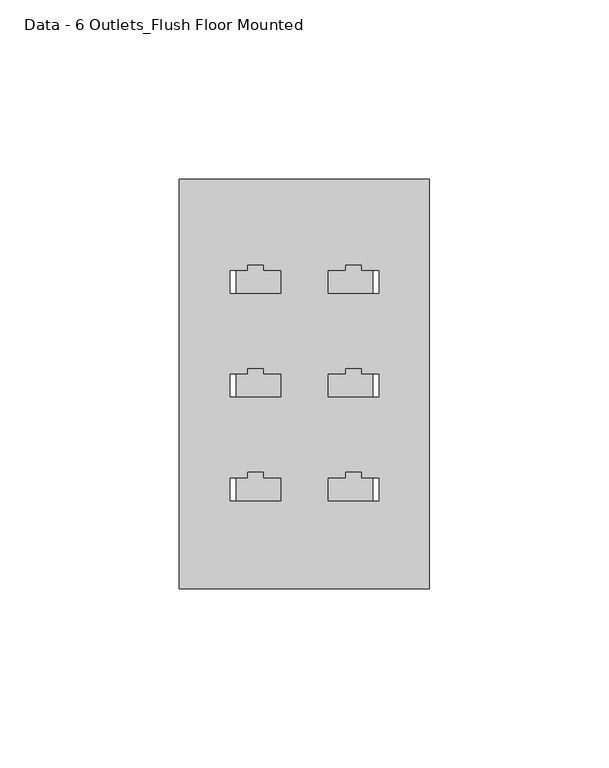
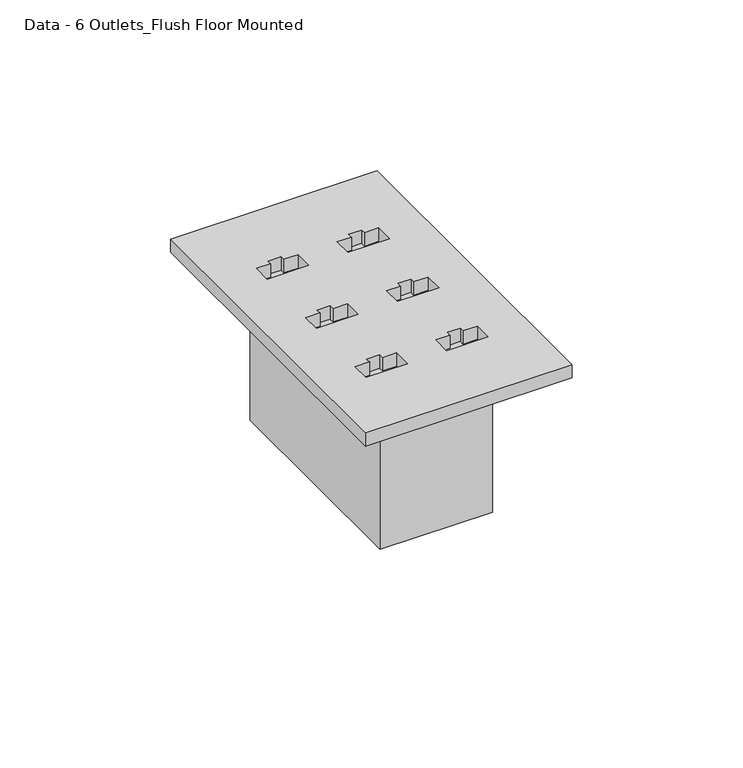
"""IFC4 building model written with IfcOpenShell, lengths in millimetres: electric appliance geometry, Data - 6 Outlets_Flush Floor Mounted."""

from ifc_helpers import new_model, si_unit, frame, origin, origin_with_axes, place, context, project, spatial, polyline, outline, extrude, source, transform, mapped, element, save


def data_6_outlets_flush_floor_mounted_41f436ed(model_context):
    return source(origin(), model_context, "Body", "SweptSolid", [
        extrude(outline(polyline([(34.925, 57.15), (34.925, -57.15), (-34.925, -57.15), (-34.925, 57.15), (34.925, 57.15)]), holes=[polyline([(-20.6336946, 25.2900552), (-6.5887405, 25.2900552), (-6.5887405, 31.5943927), (-11.4485466, 31.5943927), (-11.4485466, 33.1818927), (-15.8337141, 33.1818927), (-15.8337141, 31.5943927), (-20.6336946, 31.5943927), (-20.6336946, 25.2900552)]), polyline([(6.6939838, 25.2900552), (20.738938, 25.2900552), (20.738938, 31.5943927), (15.8791319, 31.5943927), (15.8791319, 33.1818927), (11.4939644, 33.1818927), (11.4939644, 31.5943927), (6.6939838, 31.5943927), (6.6939838, 25.2900552)]), polyline([(-20.6336946, -3.6317489), (-6.5887405, -3.6317489), (-6.5887405, 2.6725887), (-11.4485466, 2.6725887), (-11.4485466, 4.2600887), (-15.8337141, 4.2600887), (-15.8337141, 2.6725887), (-20.6336946, 2.6725887), (-20.6336946, -3.6317489)]), polyline([(6.6939838, -3.6317489), (20.738938, -3.6317489), (20.738938, 2.6725887), (15.8791319, 2.6725887), (15.8791319, 4.2600887), (11.4939644, 4.2600887), (11.4939644, 2.6725887), (6.6939838, 2.6725887), (6.6939838, -3.6317489)]), polyline([(-20.6336946, -32.5535529), (-6.5887405, -32.5535529), (-6.5887405, -26.2492154), (-11.4485466, -26.2492154), (-11.4485466, -24.6617154), (-15.8337141, -24.6617154), (-15.8337141, -26.2492154), (-20.6336946, -26.2492154), (-20.6336946, -32.5535529)]), polyline([(6.6939838, -32.5535529), (20.738938, -32.5535529), (20.738938, -26.2492154), (15.8791319, -26.2492154), (15.8791319, -24.6617154), (11.4939644, -24.6617154), (11.4939644, -26.2492154), (6.6939838, -26.2492154), (6.6939838, -32.5535529)])]), origin_with_axes(), (0.0, 0.0, 1.0), 4.7625),
        extrude(outline(polyline([(19.05, 38.1), (19.05, -38.1), (-19.05, -38.1), (-19.05, 38.1), (19.05, 38.1)])), frame((0.0, 0.0, -53.975), z_axis=(0.0, 0.0, 1.0), x_axis=(1.0, 0.0, 0.0)), (0.0, 0.0, 1.0), 53.975),
        extrude(outline(polyline([(-21.6013392, 36.859304), (-5.7263392, 36.859304), (-5.7263392, 20.984304), (-21.6013392, 20.984304), (-21.6013392, 36.859304)]), holes=[polyline([(-11.4485466, 33.1818927), (-15.8337141, 33.1818927), (-15.8337141, 31.5943927), (-20.6336946, 31.5943927), (-20.6336946, 25.2900552), (-6.5887405, 25.2900552), (-6.5887405, 31.5943927), (-11.4485466, 31.5943927), (-11.4485466, 33.1818927)])]), frame((0.0, 0.0, 0.1002738), z_axis=(0.0, 0.0, 1.0), x_axis=(1.0, 0.0, 0.0)), (0.0, 0.0, 1.0), 4.6622262),
        extrude(outline(polyline([(5.7263392, 36.859304), (21.6013392, 36.859304), (21.6013392, 20.984304), (5.7263392, 20.984304), (5.7263392, 36.859304)]), holes=[polyline([(15.8791319, 33.1818927), (11.4939644, 33.1818927), (11.4939644, 31.5943927), (6.6939838, 31.5943927), (6.6939838, 25.2900552), (20.738938, 25.2900552), (20.738938, 31.5943927), (15.8791319, 31.5943927), (15.8791319, 33.1818927)])]), frame((0.0, 0.0, 0.1002738), z_axis=(0.0, 0.0, 1.0), x_axis=(1.0, 0.0, 0.0)), (0.0, 0.0, 1.0), 4.6622262),
        extrude(outline(polyline([(-21.6013392, 7.9375), (-5.7263392, 7.9375), (-5.7263392, -7.9375), (-21.6013392, -7.9375), (-21.6013392, 7.9375)]), holes=[polyline([(-11.4485466, 4.2600887), (-15.8337141, 4.2600887), (-15.8337141, 2.6725887), (-20.6336946, 2.6725887), (-20.6336946, -3.6317489), (-6.5887405, -3.6317489), (-6.5887405, 2.6725887), (-11.4485466, 2.6725887), (-11.4485466, 4.2600887)])]), frame((0.0, 0.0, 0.1002738), z_axis=(0.0, 0.0, 1.0), x_axis=(1.0, 0.0, 0.0)), (0.0, 0.0, 1.0), 4.6622262),
        extrude(outline(polyline([(5.7263392, 7.9375), (21.6013392, 7.9375), (21.6013392, -7.9375), (5.7263392, -7.9375), (5.7263392, 7.9375)]), holes=[polyline([(15.8791319, 4.2600887), (11.4939644, 4.2600887), (11.4939644, 2.6725887), (6.6939838, 2.6725887), (6.6939838, -3.6317489), (20.738938, -3.6317489), (20.738938, 2.6725887), (15.8791319, 2.6725887), (15.8791319, 4.2600887)])]), frame((0.0, 0.0, 0.1002738), z_axis=(0.0, 0.0, 1.0), x_axis=(1.0, 0.0, 0.0)), (0.0, 0.0, 1.0), 4.6622262),
        extrude(outline(polyline([(-21.6013392, -20.984304), (-5.7263392, -20.984304), (-5.7263392, -36.859304), (-21.6013392, -36.859304), (-21.6013392, -20.984304)]), holes=[polyline([(-11.4485466, -24.6617154), (-15.8337141, -24.6617154), (-15.8337141, -26.2492154), (-20.6336946, -26.2492154), (-20.6336946, -32.5535529), (-6.5887405, -32.5535529), (-6.5887405, -26.2492154), (-11.4485466, -26.2492154), (-11.4485466, -24.6617154)])]), frame((0.0, 0.0, 0.1002738), z_axis=(0.0, 0.0, 1.0), x_axis=(1.0, 0.0, 0.0)), (0.0, 0.0, 1.0), 4.6622262),
        extrude(outline(polyline([(5.7263392, -20.984304), (21.6013392, -20.984304), (21.6013392, -36.859304), (5.7263392, -36.859304), (5.7263392, -20.984304)]), holes=[polyline([(15.8791319, -24.6617154), (11.4939644, -24.6617154), (11.4939644, -26.2492154), (6.6939838, -26.2492154), (6.6939838, -32.5535529), (20.738938, -32.5535529), (20.738938, -26.2492154), (15.8791319, -26.2492154), (15.8791319, -24.6617154)])]), frame((0.0, 0.0, 0.1002738), z_axis=(0.0, 0.0, 1.0), x_axis=(1.0, 0.0, 0.0)), (0.0, 0.0, 1.0), 4.6622262),
    ])


if __name__ == "__main__":
    model = new_model("IFC4")
    model_context = context("Model", 3, world=origin())
    ifc_project = project(units=[si_unit("LENGTHUNIT", "METRE", prefix="MILLI")], contexts=[model_context])
    site = spatial("IfcSite", under=ifc_project)
    building = spatial("IfcBuilding", under=site)
    placement = place(None, origin())
    data_6_outlets_flush_floor_mounted_shape = data_6_outlets_flush_floor_mounted_41f436ed(model_context)
    element("IfcElectricAppliance", 1, ObjectType="Data - 6 Outlets_Flush Floor Mounted", at=placement, inside=building, context=model_context, shape_type="MappedRepresentation", body=[
        mapped(data_6_outlets_flush_floor_mounted_shape, transform((0.0, 0.0, 0.0), x_axis=(1.0, 0.0, 0.0), y_axis=(0.0, 1.0, 0.0), z_axis=(0.0, 0.0, 1.0))),
    ])
    save(model, "model.ifc")
